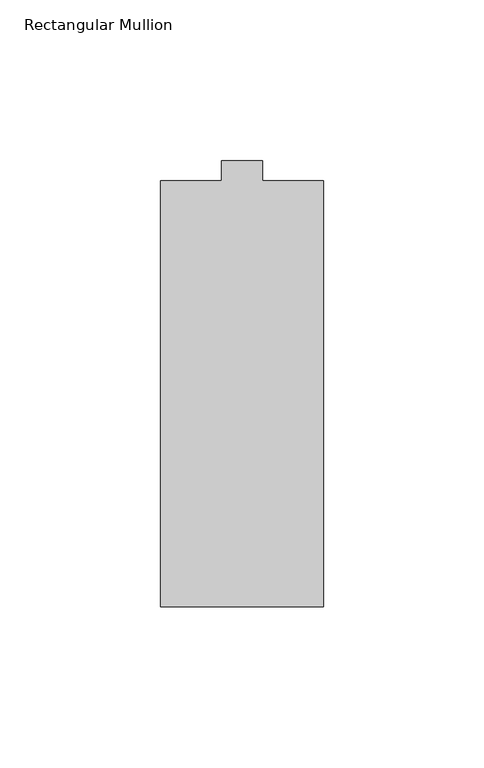
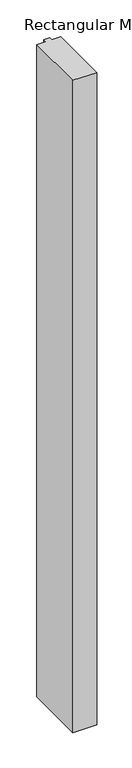
"""IFC4 building model written with IfcOpenShell, lengths in millimetres: member geometry, Rectangular Mullion."""

from ifc_helpers import new_model, si_unit, frame, origin, place, context, project, spatial, polyline, outline, extrude, source, transform, mapped, element, save


def rectangular_mullion_ae47b317(model_context):
    return source(origin(), model_context, "Body", "SweptSolid", [
        extrude(outline(polyline([(-25.4, -138.90625), (-25.4, -6.35), (-6.35, -6.35), (-6.35, 0.0), (6.35, 0.0), (6.35, -6.35), (25.4, -6.35), (25.4, -138.90625), (-25.4, -138.90625)])), frame((0.0, 0.0, -1460.5), z_axis=(0.0, 0.0, 1.0), x_axis=(1.0, 0.0, 0.0)), (0.0, 0.0, 1.0), 1460.5),
    ])


if __name__ == "__main__":
    model = new_model("IFC4")
    model_context = context("Model", 3, world=origin())
    ifc_project = project(units=[si_unit("LENGTHUNIT", "METRE", prefix="MILLI")], contexts=[model_context])
    site = spatial("IfcSite", under=ifc_project)
    building = spatial("IfcBuilding", under=site)
    placement = place(None, origin())
    rectangular_mullion_shape = rectangular_mullion_ae47b317(model_context)
    element("IfcMember", 1, ObjectType="Rectangular Mullion", at=placement, inside=building, context=model_context, shape_type="MappedRepresentation", body=[
        mapped(rectangular_mullion_shape, transform((0.0, 0.0, 0.0), x_axis=(1.0, 0.0, 0.0), y_axis=(0.0, 1.0, 0.0), z_axis=(0.0, 0.0, 1.0))),
    ])
    save(model, "model.ifc")
